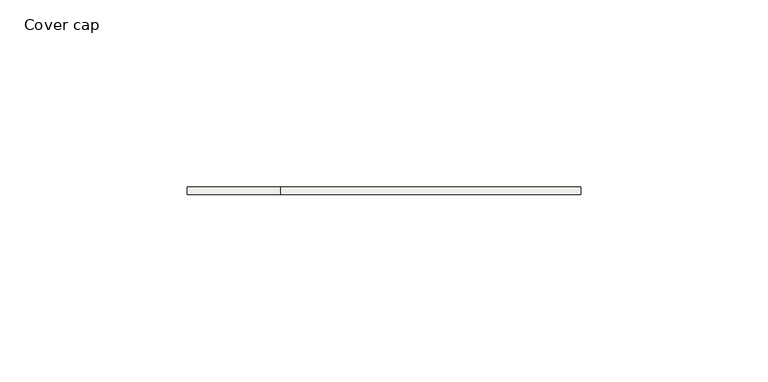
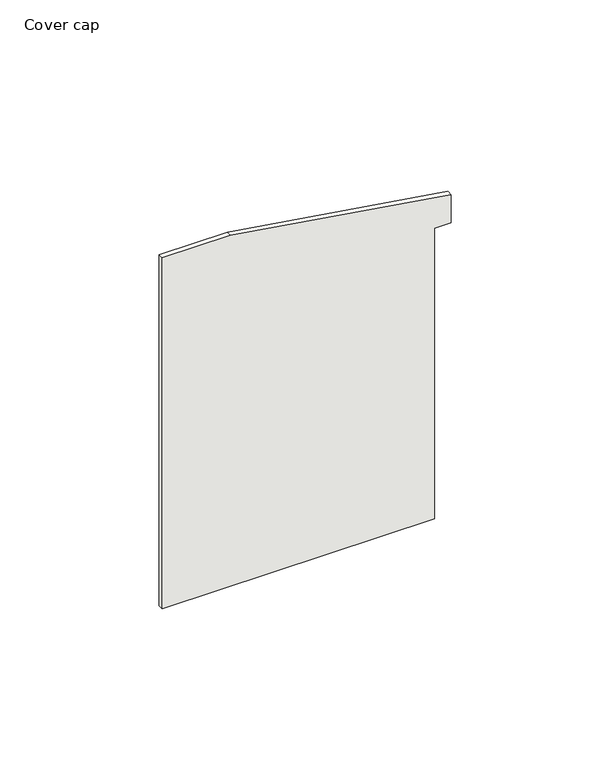
"""IFC4 building model written with IfcOpenShell, lengths in millimetres: covering geometry, Cover cap."""

from ifc_helpers import new_model, si_unit, frame, origin, place, context, project, spatial, polyline, outline, extrude, source, transform, mapped, element, save


def cover_cap_390ff9e9(model_context):
    return source(origin(), model_context, "Body", "SweptSolid", [
        extrude(outline(polyline([(-2.0, -31.9), (-2.0, 67.0), (109.5, 67.0), (109.5, 73.0), (120.2855349, 73.0), (132.7051053, -7.0), (132.7051053, -31.9), (-2.0, -31.9)])), frame((0.0, 0.0, 0.0), z_axis=(0.0, 1.0, 0.0), x_axis=(0.0, 0.0, 1.0)), (0.0, 0.0, 1.0), 2.0),
    ])


if __name__ == "__main__":
    model = new_model("IFC4")
    model_context = context("Model", 3, world=origin())
    ifc_project = project(units=[si_unit("LENGTHUNIT", "METRE", prefix="MILLI")], contexts=[model_context])
    site = spatial("IfcSite", under=ifc_project)
    building = spatial("IfcBuilding", under=site)
    placement = place(None, origin())
    cover_cap_shape = cover_cap_390ff9e9(model_context)
    element("IfcCovering", 1, ObjectType="Cover cap", at=placement, inside=building, context=model_context, shape_type="MappedRepresentation", body=[
        mapped(cover_cap_shape, transform((0.0, 0.0, 0.0), x_axis=(1.0, 0.0, 0.0), y_axis=(0.0, 1.0, 0.0), z_axis=(0.0, 0.0, 1.0))),
    ])
    save(model, "model.ifc")
